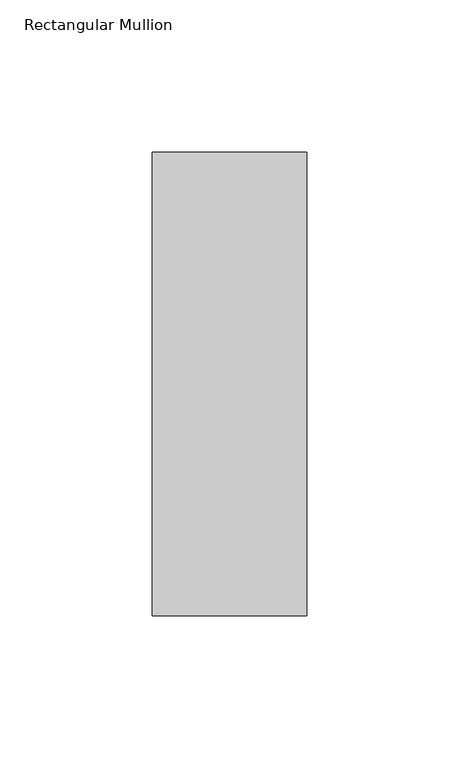
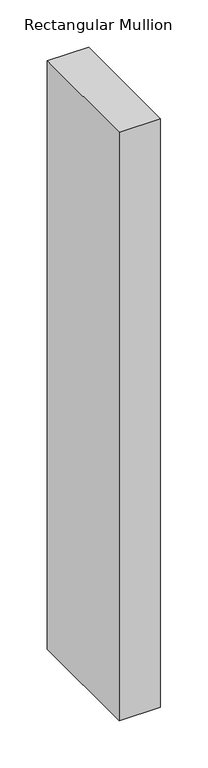
"""IFC4 building model written with IfcOpenShell, lengths in millimetres: member geometry, Rectangular Mullion."""

from ifc_helpers import new_model, si_unit, frame, origin, place, context, project, spatial, polyline, outline, extrude, source, transform, mapped, element, save


def rectangular_mullion_78466fe4(model_context):
    return source(origin(), model_context, "Body", "SweptSolid", [
        extrude(outline(polyline([(-25.4, 26.19375), (25.4, 26.19375), (25.4, -126.20625), (-25.4, -126.20625), (-25.4, 26.19375)])), frame((0.0, 0.0, -762.0), z_axis=(0.0, 0.0, 1.0), x_axis=(1.0, 0.0, 0.0)), (0.0, 0.0, 1.0), 762.0),
    ])


if __name__ == "__main__":
    model = new_model("IFC4")
    model_context = context("Model", 3, world=origin())
    ifc_project = project(units=[si_unit("LENGTHUNIT", "METRE", prefix="MILLI")], contexts=[model_context])
    site = spatial("IfcSite", under=ifc_project)
    building = spatial("IfcBuilding", under=site)
    placement = place(None, origin())
    rectangular_mullion_shape = rectangular_mullion_78466fe4(model_context)
    element("IfcMember", 1, ObjectType="Rectangular Mullion", at=placement, inside=building, context=model_context, shape_type="MappedRepresentation", body=[
        mapped(rectangular_mullion_shape, transform((0.0, 0.0, 0.0), x_axis=(1.0, 0.0, 0.0), y_axis=(0.0, 1.0, 0.0), z_axis=(0.0, 0.0, 1.0))),
    ])
    save(model, "model.ifc")
